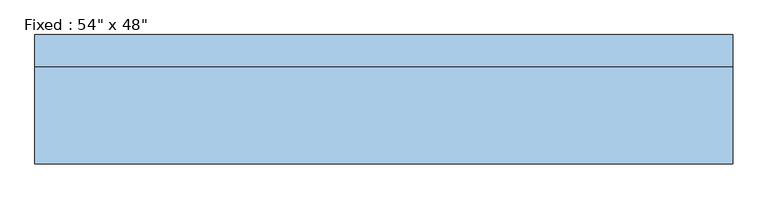
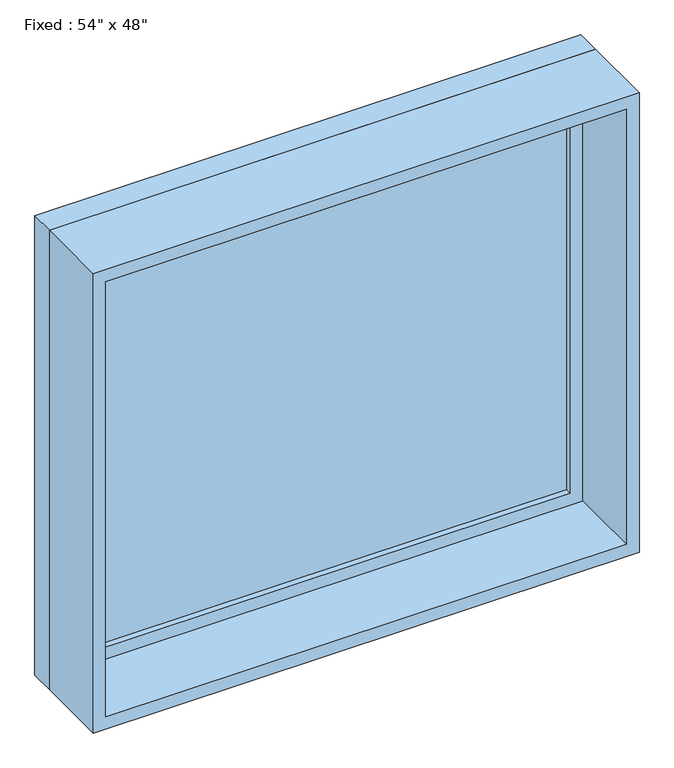
"""IFC4 building model written with IfcOpenShell, lengths in millimetres: window geometry."""

from ifc_helpers import new_model, si_unit, frame, origin, place, context, project, spatial, polyline, outline, extrude, source, transform, mapped, element, save


def window_8bc8f9b7(model_context):
    return source(origin(), model_context, "Body", "SweptSolid", [
        extrude(outline(polyline([(584.2, 79.375), (-660.4, 79.375), (-660.4, 92.075), (584.2, 92.075), (584.2, 79.375)])), frame((0.0, 0.0, 368.3), z_axis=(0.0, 0.0, 1.0), x_axis=(1.0, 0.0, 0.0)), (0.0, 0.0, 1.0), 1092.2),
        extrude(outline(polyline([(1504.95, -704.85), (323.85, -704.85), (323.85, 628.65), (1504.95, 628.65), (1504.95, -704.85)]), holes=[polyline([(1460.5, -660.4), (1460.5, 584.2), (368.3, 584.2), (368.3, -660.4), (1460.5, -660.4)])]), frame((0.0, 63.5, 0.0), z_axis=(0.0, 1.0, 0.0), x_axis=(0.0, 0.0, 1.0)), (0.0, 0.0, 1.0), 44.45),
        extrude(outline(polyline([(1524.0, -723.9), (304.8, -723.9), (304.8, 647.7), (1524.0, 647.7), (1524.0, -723.9)]), holes=[polyline([(1492.25, -692.15), (1492.25, 615.95), (336.55, 615.95), (336.55, -692.15), (1492.25, -692.15)])]), frame((0.0, -127.0, 0.0), z_axis=(0.0, 1.0, 0.0), x_axis=(0.0, 0.0, 1.0)), (0.0, 0.0, 1.0), 190.5),
        extrude(outline(polyline([(1524.0, 647.7), (1524.0, -723.9), (304.8, -723.9), (304.8, 647.7), (1524.0, 647.7)]), holes=[polyline([(1504.95, 628.65), (323.85, 628.65), (323.85, -704.85), (1504.95, -704.85), (1504.95, 628.65)])]), frame((0.0, 63.5, 0.0), z_axis=(0.0, 1.0, 0.0), x_axis=(0.0, 0.0, 1.0)), (0.0, 0.0, 1.0), 63.5),
    ])


if __name__ == "__main__":
    model = new_model("IFC4")
    model_context = context("Model", 3, world=origin())
    ifc_project = project(units=[si_unit("LENGTHUNIT", "METRE", prefix="MILLI")], contexts=[model_context])
    site = spatial("IfcSite", under=ifc_project)
    building = spatial("IfcBuilding", under=site)
    placement = place(None, origin())
    window_shape = window_8bc8f9b7(model_context)
    element("IfcWindow", 1, ObjectType="Fixed : 54\" x 48\"", at=placement, inside=building, context=model_context, shape_type="MappedRepresentation", body=[
        mapped(window_shape, transform((0.0, 0.0, 0.0), x_axis=(1.0, 0.0, 0.0), y_axis=(0.0, 1.0, 0.0), z_axis=(0.0, 0.0, 1.0))),
    ])
    save(model, "model.ifc")
